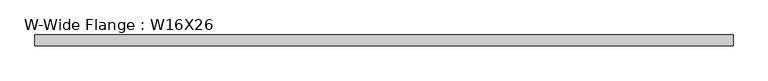
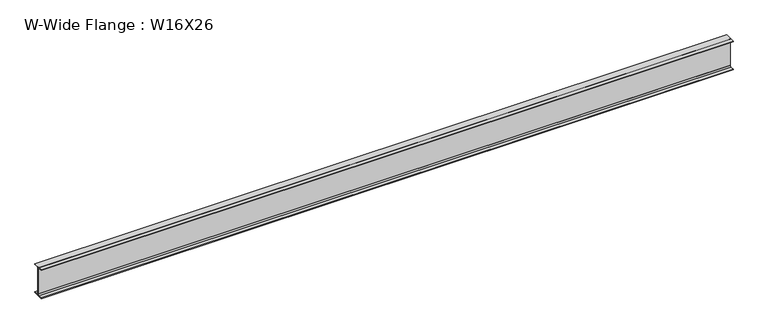
"""IFC4 building model written with IfcOpenShell, lengths in millimetres: beam geometry, W-Wide Flange : W16X26."""

from ifc_helpers import new_model, si_unit, point, frame, frame_2d, origin, place, context, project, spatial, polyline, circle_curve, trimmed, segment, composite_curve, outline, extrude, source, transform, mapped, element, save


def w_wide_flange_w16x26_cb2ee2b2(model_context):
    return source(origin(), model_context, "Body", "SweptSolid", [
        extrude(outline(composite_curve([segment(polyline([(69.85, -190.5496094), (69.85, -199.2808594), (-69.85, -199.2808594), (-69.85, -190.5496094), (-21.43125, -190.5496094)]), True, "CONTINUOUS"), segment(trimmed(circle_curve(frame_2d((-21.43125, -172.2933594)), 18.25625), [point((-21.43125, -190.5496094))], [point((-3.175, -172.2933594))], True, "CARTESIAN"), True, "CONTINUOUS"), segment(polyline([(-3.175, -172.2933594), (-3.175, 172.2933594)]), True, "CONTINUOUS"), segment(trimmed(circle_curve(frame_2d((-21.43125, 172.2933594)), 18.25625), [point((-3.175, 172.2933594))], [point((-21.43125, 190.5496094))], True, "CARTESIAN"), True, "CONTINUOUS"), segment(polyline([(-21.43125, 190.5496094), (-69.85, 190.5496094), (-69.85, 199.2808594), (69.85, 199.2808594), (69.85, 190.5496094), (21.43125, 190.5496094)]), True, "CONTINUOUS"), segment(trimmed(circle_curve(frame_2d((21.43125, 172.2933594)), 18.25625), [point((21.43125, 190.5496094))], [point((3.175, 172.2933594))], True, "CARTESIAN"), True, "CONTINUOUS"), segment(polyline([(3.175, 172.2933594), (3.175, -172.2933594)]), True, "CONTINUOUS"), segment(trimmed(circle_curve(frame_2d((21.43125, -172.2933594)), 18.25625), [point((3.175, -172.2933594))], [point((21.43125, -190.5496094))], True, "CARTESIAN"), True, "CONTINUOUS"), segment(polyline([(21.43125, -190.5496094), (69.85, -190.5496094)]), True, "CONTINUOUS")], self_intersect=False)), frame((-4533.9, 0.0, 0.0), z_axis=(1.0, 0.0, 0.0), x_axis=(0.0, 1.0, 0.0)), (0.0, 0.0, 1.0), 9030.096875),
    ])


if __name__ == "__main__":
    model = new_model("IFC4")
    model_context = context("Model", 3, world=origin())
    ifc_project = project(units=[si_unit("LENGTHUNIT", "METRE", prefix="MILLI")], contexts=[model_context])
    site = spatial("IfcSite", under=ifc_project)
    building = spatial("IfcBuilding", under=site)
    placement = place(None, origin())
    w_wide_flange_w16x26_shape = w_wide_flange_w16x26_cb2ee2b2(model_context)
    element("IfcBeam", 1, ObjectType="W-Wide Flange : W16X26", at=placement, inside=building, context=model_context, shape_type="MappedRepresentation", body=[
        mapped(w_wide_flange_w16x26_shape, transform((0.0, 0.0, 0.0), x_axis=(1.0, 0.0, 0.0), y_axis=(0.0, 1.0, 0.0), z_axis=(0.0, 0.0, 1.0))),
    ])
    save(model, "model.ifc")
